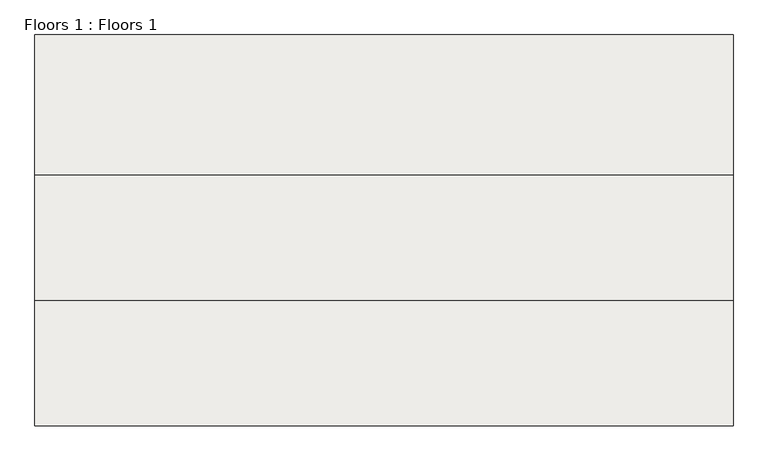
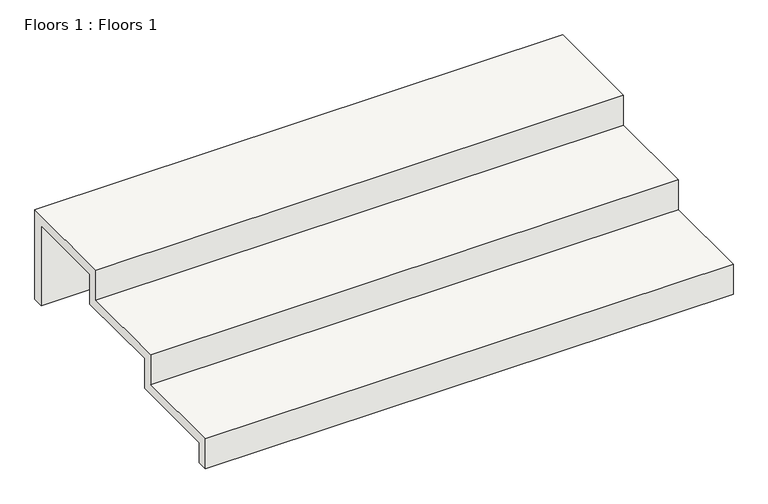
"""IFC4 building model written with IfcOpenShell, lengths in millimetres: slab geometry, Floors 1 : Floors 1."""

from ifc_helpers import new_model, si_unit, frame, origin, place, context, project, spatial, polyline, outline, extrude, source, transform, mapped, element, save


def floors_1_floors_1_e1709f75(model_context):
    return source(origin(), model_context, "Body", "SweptSolid", [
        extrude(outline(polyline([(-873.8686771, 0.0), (-873.8686771, 300.0), (26.1313229, 300.0), (26.1313229, 600.0), (926.1313229, 600.0), (926.1313229, 900.0), (1926.1313229, 900.0), (1926.1313229, 0.0), (1826.1313229, 0.0), (1826.1313229, 800.0), (1026.1313229, 800.0), (1026.1313229, 500.0), (126.1313229, 500.0), (126.1313229, 200.0), (-773.8686771, 200.0), (-773.8686771, 0.0), (-873.8686771, 0.0)])), frame((-9337.3231975, 0.0, 0.0), z_axis=(1.0, 0.0, 0.0), x_axis=(0.0, 1.0, 0.0)), (0.0, 0.0, 1.0), 5000.0),
    ])


if __name__ == "__main__":
    model = new_model("IFC4")
    model_context = context("Model", 3, world=origin())
    ifc_project = project(units=[si_unit("LENGTHUNIT", "METRE", prefix="MILLI")], contexts=[model_context])
    site = spatial("IfcSite", under=ifc_project)
    building = spatial("IfcBuilding", under=site)
    placement = place(None, origin())
    floors_1_floors_1_shape = floors_1_floors_1_e1709f75(model_context)
    element("IfcSlab", 1, ObjectType="Floors 1 : Floors 1", at=placement, inside=building, context=model_context, shape_type="MappedRepresentation", body=[
        mapped(floors_1_floors_1_shape, transform((0.0, 0.0, 0.0), x_axis=(1.0, 0.0, 0.0), y_axis=(0.0, 1.0, 0.0), z_axis=(0.0, 0.0, 1.0))),
    ])
    save(model, "model.ifc")
